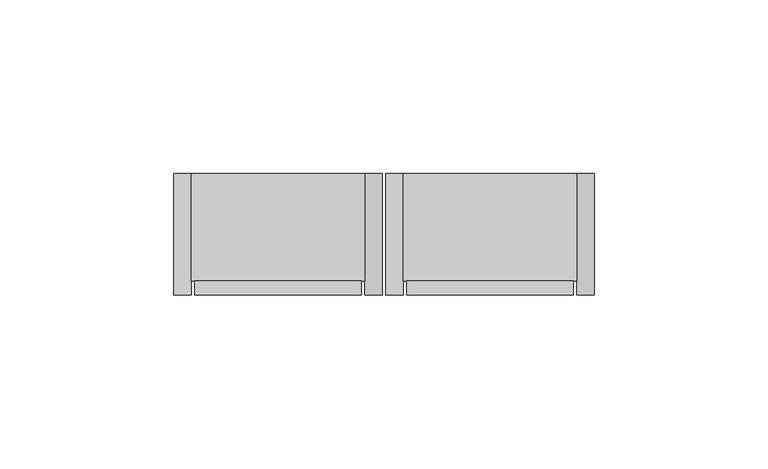
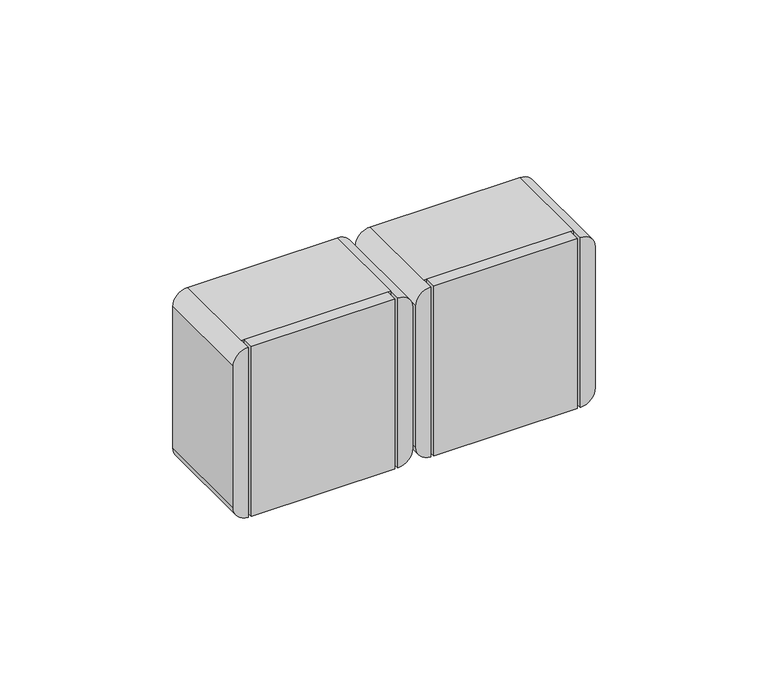
"""IFC4 building model written with IfcOpenShell, lengths in millimetres: proxy geometry."""

from ifc_helpers import new_model, si_unit, frame, origin, place, context, project, spatial, polyline, circle_curve, outline, extrude, source, transform, mapped, element, save
from ifc_brep_helpers import plane_surface, cylinder_surface, advanced_brep


def electrical_fixtures_a07bd793(model_context):
    return source(origin(), model_context, "Body", "SolidModel", [
        extrude(outline(polyline([(70.0, -35.0), (70.0, -31.0), (118.0, -31.0), (118.0, -35.0), (70.0, -35.0)])), frame((0.0, 0.0, 150.0), z_axis=(0.0, 0.0, 1.0), x_axis=(1.0, 0.0, 0.0)), (0.0, 0.0, 1.0), 60.0),
        advanced_brep(
        [(119.0, -35.0, 210.0), (119.0, -35.0, 150.0), (124.0, -35.0, 155.0), (124.0, -35.0, 205.0), (69.0, -35.0, 150.0), (69.0, -35.0, 210.0), (64.0, -35.0, 205.0), (64.0, -35.0, 155.0), (69.0, 0.0, 210.0), (119.0, 0.0, 210.0), (124.0, 0.0, 205.0), (124.0, 0.0, 155.0), (119.0, 0.0, 150.0), (69.0, 0.0, 150.0), (64.0, 0.0, 155.0), (64.0, 0.0, 205.0), (69.0, -31.0, 210.0), (119.0, -31.0, 210.0), (119.0, -31.0, 150.0), (69.0, -31.0, 150.0)],
        [
            (0, 1),
            (1, 2, circle_curve(frame((119.0, -35.0, 155.0), z_axis=(0.0, -1.0, 0.0), x_axis=(-1.0, 0.0, 0.0)), 5.0)),
            (2, 3),
            (3, 0, circle_curve(frame((119.0, -35.0, 205.0), z_axis=(0.0, -1.0, 0.0), x_axis=(-1.0, 0.0, 0.0)), 5.0)),
            (4, 5),
            (5, 6, circle_curve(frame((69.0, -35.0, 205.0), z_axis=(0.0, -1.0, 0.0), x_axis=(-1.0, 0.0, 0.0)), 5.0)),
            (6, 7),
            (7, 4, circle_curve(frame((69.0, -35.0, 155.0), z_axis=(0.0, -1.0, 0.0), x_axis=(-1.0, 0.0, 0.0)), 5.0)),
            (8, 9),
            (9, 10, circle_curve(frame((119.0, 0.0, 205.0), z_axis=(0.0, 1.0, 0.0), x_axis=(-1.0, 0.0, 0.0)), 5.0)),
            (10, 11),
            (11, 12, circle_curve(frame((119.0, 0.0, 155.0), z_axis=(0.0, 1.0, 0.0), x_axis=(-1.0, 0.0, 0.0)), 5.0)),
            (12, 13),
            (13, 14, circle_curve(frame((69.0, 0.0, 155.0), z_axis=(0.0, 1.0, 0.0), x_axis=(-1.0, 0.0, 0.0)), 5.0)),
            (14, 15),
            (15, 8, circle_curve(frame((69.0, 0.0, 205.0), z_axis=(0.0, 1.0, 0.0), x_axis=(-1.0, 0.0, 0.0)), 5.0)),
            (8, 16),
            (16, 17),
            (17, 9),
            (2, 11),
            (10, 3),
            (12, 18),
            (18, 19),
            (19, 13),
            (6, 15),
            (14, 7),
            (17, 0),
            (1, 18),
            (19, 4),
            (5, 16),
            (16, 19),
            (18, 17),
        ],
        [
            plane_surface(frame((114.0, -35.0, 210.0), z_axis=(0.0, -1.0, 0.0), x_axis=(1.0, 0.0, 0.0))),
            plane_surface(frame((114.0, 0.0, 210.0), z_axis=(0.0, 1.0, 0.0), x_axis=(-1.0, 0.0, 0.0))),
            plane_surface(frame((69.0, -35.0, 210.0), z_axis=(0.0, 0.0, 1.0), x_axis=(0.0, 1.0, 0.0))),
            plane_surface(frame((124.0, -35.0, 205.0), z_axis=(1.0, 0.0, 0.0), x_axis=(0.0, 1.0, 0.0))),
            plane_surface(frame((119.0, -35.0, 150.0), z_axis=(0.0, 0.0, -1.0), x_axis=(0.0, 1.0, 0.0))),
            plane_surface(frame((64.0, -35.0, 155.0), z_axis=(-1.0, 0.0, 0.0), x_axis=(0.0, 1.0, 0.0))),
            cylinder_surface(frame((119.0, 0.0, 205.0), z_axis=(0.0, -1.0, 0.0), x_axis=(-1.0, 0.0, 0.0)), 5.0),
            cylinder_surface(frame((119.0, 0.0, 155.0), z_axis=(0.0, -1.0, 0.0), x_axis=(-1.0, 0.0, 0.0)), 5.0),
            cylinder_surface(frame((69.0, 0.0, 155.0), z_axis=(0.0, -1.0, 0.0), x_axis=(-1.0, 0.0, 0.0)), 5.0),
            cylinder_surface(frame((69.0, 0.0, 205.0), z_axis=(0.0, -1.0, 0.0), x_axis=(-1.0, 0.0, 0.0)), 5.0),
            plane_surface(frame((69.0, -31.0, 210.0), z_axis=(0.0, -1.0, 0.0), x_axis=(0.0, 0.0, -1.0))),
            plane_surface(frame((69.0, -31.0, 210.0), z_axis=(1.0, 0.0, 0.0), x_axis=(0.0, -1.0, 0.0))),
            plane_surface(frame((119.0, -31.0, 150.0), z_axis=(-1.0, 0.0, 0.0), x_axis=(0.0, -1.0, 0.0))),
        ],
        [
            (0, [[1, 2, 3, 4]]),
            (0, [[5, 6, 7, 8]]),
            (1, [[9, 10, 11, 12, 13, 14, 15, 16]]),
            (2, [[17, 18, 19, -9]]),
            (3, [[20, -11, 21, -3]]),
            (4, [[22, 23, 24, -13]]),
            (5, [[25, -15, 26, -7]]),
            (6, [[-21, -10, -19, 27, -4]]),
            (7, [[28, -22, -12, -20, -2]]),
            (8, [[-26, -14, -24, 29, -8]]),
            (9, [[30, -17, -16, -25, -6]]),
            (10, [[-18, 31, -23, 32]]),
            (11, [[-30, -5, -29, -31]]),
            (12, [[-28, -1, -27, -32]]),
        ],
    ),
        extrude(outline(polyline([(131.0, -35.0), (131.0, -31.0), (179.0, -31.0), (179.0, -35.0), (131.0, -35.0)])), frame((0.0, 0.0, 150.0), z_axis=(0.0, 0.0, 1.0), x_axis=(1.0, 0.0, 0.0)), (0.0, 0.0, 1.0), 60.0),
        advanced_brep(
        [(180.0, -35.0, 210.0), (180.0, -35.0, 150.0), (185.0, -35.0, 155.0), (185.0, -35.0, 205.0), (130.0, -35.0, 150.0), (130.0, -35.0, 210.0), (125.0, -35.0, 205.0), (125.0, -35.0, 155.0), (130.0, 0.0, 210.0), (180.0, 0.0, 210.0), (185.0, 0.0, 205.0), (185.0, 0.0, 155.0), (180.0, 0.0, 150.0), (130.0, 0.0, 150.0), (125.0, 0.0, 155.0), (125.0, 0.0, 205.0), (130.0, -31.0, 210.0), (180.0, -31.0, 210.0), (180.0, -31.0, 150.0), (130.0, -31.0, 150.0)],
        [
            (0, 1),
            (1, 2, circle_curve(frame((180.0, -35.0, 155.0), z_axis=(0.0, -1.0, 0.0), x_axis=(-1.0, 0.0, 0.0)), 5.0)),
            (2, 3),
            (3, 0, circle_curve(frame((180.0, -35.0, 205.0), z_axis=(0.0, -1.0, 0.0), x_axis=(-1.0, 0.0, 0.0)), 5.0)),
            (4, 5),
            (5, 6, circle_curve(frame((130.0, -35.0, 205.0), z_axis=(0.0, -1.0, 0.0), x_axis=(-1.0, 0.0, 0.0)), 5.0)),
            (6, 7),
            (7, 4, circle_curve(frame((130.0, -35.0, 155.0), z_axis=(0.0, -1.0, 0.0), x_axis=(-1.0, 0.0, 0.0)), 5.0)),
            (8, 9),
            (9, 10, circle_curve(frame((180.0, 0.0, 205.0), z_axis=(0.0, 1.0, 0.0), x_axis=(-1.0, 0.0, 0.0)), 5.0)),
            (10, 11),
            (11, 12, circle_curve(frame((180.0, 0.0, 155.0), z_axis=(0.0, 1.0, 0.0), x_axis=(-1.0, 0.0, 0.0)), 5.0)),
            (12, 13),
            (13, 14, circle_curve(frame((130.0, 0.0, 155.0), z_axis=(0.0, 1.0, 0.0), x_axis=(-1.0, 0.0, 0.0)), 5.0)),
            (14, 15),
            (15, 8, circle_curve(frame((130.0, 0.0, 205.0), z_axis=(0.0, 1.0, 0.0), x_axis=(-1.0, 0.0, 0.0)), 5.0)),
            (8, 16),
            (16, 17),
            (17, 9),
            (2, 11),
            (10, 3),
            (12, 18),
            (18, 19),
            (19, 13),
            (6, 15),
            (14, 7),
            (17, 0),
            (1, 18),
            (19, 4),
            (5, 16),
            (16, 19),
            (18, 17),
        ],
        [
            plane_surface(frame((175.0, -35.0, 210.0), z_axis=(0.0, -1.0, 0.0), x_axis=(1.0, 0.0, 0.0))),
            plane_surface(frame((175.0, 0.0, 210.0), z_axis=(0.0, 1.0, 0.0), x_axis=(-1.0, 0.0, 0.0))),
            plane_surface(frame((130.0, -35.0, 210.0), z_axis=(0.0, 0.0, 1.0), x_axis=(0.0, 1.0, 0.0))),
            plane_surface(frame((185.0, -35.0, 205.0), z_axis=(1.0, 0.0, 0.0), x_axis=(0.0, 1.0, 0.0))),
            plane_surface(frame((180.0, -35.0, 150.0), z_axis=(0.0, 0.0, -1.0), x_axis=(0.0, 1.0, 0.0))),
            plane_surface(frame((125.0, -35.0, 155.0), z_axis=(-1.0, 0.0, 0.0), x_axis=(0.0, 1.0, 0.0))),
            cylinder_surface(frame((180.0, 0.0, 205.0), z_axis=(0.0, -1.0, 0.0), x_axis=(-1.0, 0.0, 0.0)), 5.0),
            cylinder_surface(frame((180.0, 0.0, 155.0), z_axis=(0.0, -1.0, 0.0), x_axis=(-1.0, 0.0, 0.0)), 5.0),
            cylinder_surface(frame((130.0, 0.0, 155.0), z_axis=(0.0, -1.0, 0.0), x_axis=(-1.0, 0.0, 0.0)), 5.0),
            cylinder_surface(frame((130.0, 0.0, 205.0), z_axis=(0.0, -1.0, 0.0), x_axis=(-1.0, 0.0, 0.0)), 5.0),
            plane_surface(frame((130.0, -31.0, 210.0), z_axis=(0.0, -1.0, 0.0), x_axis=(0.0, 0.0, -1.0))),
            plane_surface(frame((130.0, -31.0, 210.0), z_axis=(1.0, 0.0, 0.0), x_axis=(0.0, -1.0, 0.0))),
            plane_surface(frame((180.0, -31.0, 150.0), z_axis=(-1.0, 0.0, 0.0), x_axis=(0.0, -1.0, 0.0))),
        ],
        [
            (0, [[1, 2, 3, 4]]),
            (0, [[5, 6, 7, 8]]),
            (1, [[9, 10, 11, 12, 13, 14, 15, 16]]),
            (2, [[17, 18, 19, -9]]),
            (3, [[20, -11, 21, -3]]),
            (4, [[22, 23, 24, -13]]),
            (5, [[25, -15, 26, -7]]),
            (6, [[-21, -10, -19, 27, -4]]),
            (7, [[28, -22, -12, -20, -2]]),
            (8, [[-26, -14, -24, 29, -8]]),
            (9, [[30, -17, -16, -25, -6]]),
            (10, [[-18, 31, -23, 32]]),
            (11, [[-30, -5, -29, -31]]),
            (12, [[-28, -1, -27, -32]]),
        ],
    ),
    ])


if __name__ == "__main__":
    model = new_model("IFC4")
    model_context = context("Model", 3, world=origin())
    ifc_project = project(units=[si_unit("LENGTHUNIT", "METRE", prefix="MILLI")], contexts=[model_context])
    site = spatial("IfcSite", under=ifc_project)
    building = spatial("IfcBuilding", under=site)
    placement = place(None, origin())
    electrical_fixtures_shape = electrical_fixtures_a07bd793(model_context)
    element("IfcBuildingElementProxy", 1, Name="Electrical Fixtures", at=placement, inside=building, context=model_context, shape_type="MappedRepresentation", body=[
        mapped(electrical_fixtures_shape, transform((0.0, 0.0, 0.0), x_axis=(1.0, 0.0, 0.0), y_axis=(0.0, 1.0, 0.0), z_axis=(0.0, 0.0, 1.0))),
    ])
    save(model, "model.ifc")
